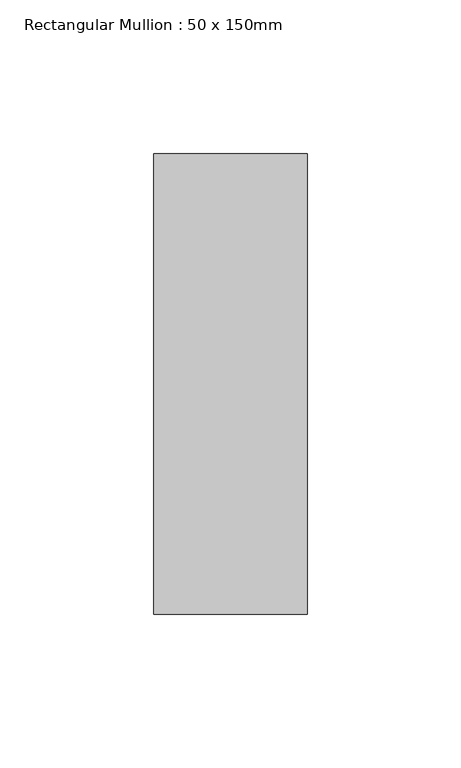
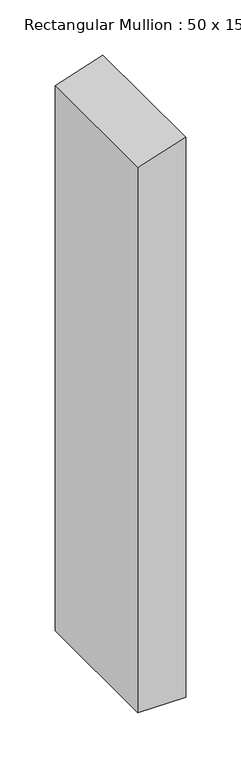
"""IFC4 building model written with IfcOpenShell, lengths in millimetres: member geometry, Rectangular Mullion : 50 x 150mm."""

from ifc_helpers import new_model, si_unit, frame, origin, place, context, project, spatial, polyline, outline, extrude, source, transform, mapped, element, save


def rectangular_mullion_50_x_150mm_7720e8e9(model_context):
    return source(origin(), model_context, "Body", "SweptSolid", [
        extrude(outline(polyline([(0.0, 0.0), (-16.4043649, -50.0), (-619.6915325, -50.0), (-619.6915325, 0.0), (0.0, 0.0)])), frame((0.0, -75.0, 0.0), z_axis=(0.0, 1.0, 0.0), x_axis=(0.0, 0.0, 1.0)), (0.0, 0.0, 1.0), 150.0),
    ])


if __name__ == "__main__":
    model = new_model("IFC4")
    model_context = context("Model", 3, world=origin())
    ifc_project = project(units=[si_unit("LENGTHUNIT", "METRE", prefix="MILLI")], contexts=[model_context])
    site = spatial("IfcSite", under=ifc_project)
    building = spatial("IfcBuilding", under=site)
    placement = place(None, origin())
    rectangular_mullion_50_x_150mm_shape = rectangular_mullion_50_x_150mm_7720e8e9(model_context)
    element("IfcMember", 1, ObjectType="Rectangular Mullion : 50 x 150mm", at=placement, inside=building, context=model_context, shape_type="MappedRepresentation", body=[
        mapped(rectangular_mullion_50_x_150mm_shape, transform((0.0, 0.0, 0.0), x_axis=(1.0, 0.0, 0.0), y_axis=(0.0, 1.0, 0.0), z_axis=(0.0, 0.0, 1.0))),
    ])
    save(model, "model.ifc")
